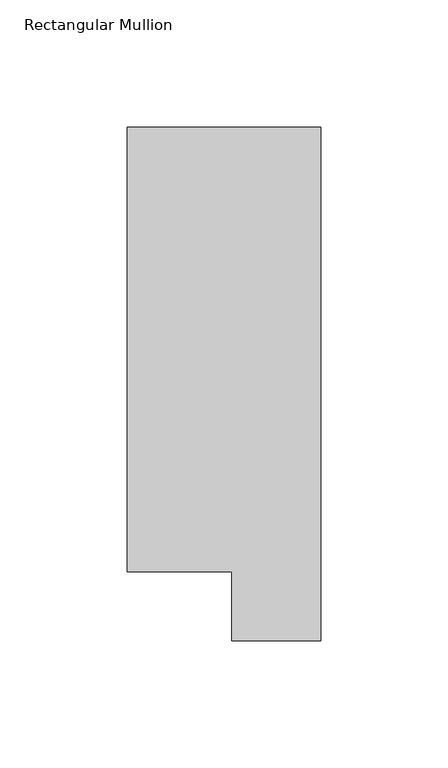
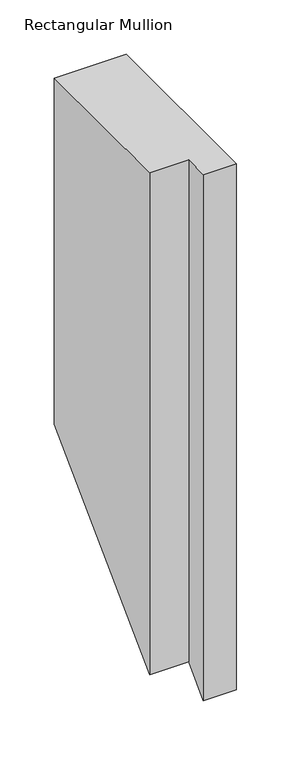
"""IFC4 building model written with IfcOpenShell, lengths in millimetres: member geometry, Rectangular Mullion."""

from ifc_helpers import new_model, si_unit, origin, place, context, project, spatial, faceted_brep, source, transform, mapped, element, save


def rectangular_mullion_0f169c01(model_context):
    return source(origin(), model_context, "Body", "Brep", [
        faceted_brep([(0.0, 221.7507313, 0.0), (-76.2, 221.7507313, 0.0), (-76.2, 46.7447302, 0.0), (-34.9123, 46.7447302, 0.0), (-34.9123, 19.5667313, 0.0), (0.0, 19.5667313, 0.0), (0.0, 221.7507313, -387.8492688), (-76.2, 221.7507313, -387.8492688), (-76.2, 46.7447302, -562.8552698), (-34.9123, 46.7447302, -562.8552698), (-34.9123, 19.5667313, -590.0332687), (0.0, 19.5667313, -590.0332687)], [[[0, 1, 2, 3, 4, 5]], [[1, 0, 6, 7]], [[2, 1, 7, 8]], [[3, 2, 8, 9]], [[4, 3, 9, 10]], [[5, 4, 10, 11]], [[0, 5, 11, 6]], [[6, 11, 10, 9, 8, 7]]]),
    ])


if __name__ == "__main__":
    model = new_model("IFC4")
    model_context = context("Model", 3, world=origin())
    ifc_project = project(units=[si_unit("LENGTHUNIT", "METRE", prefix="MILLI")], contexts=[model_context])
    site = spatial("IfcSite", under=ifc_project)
    building = spatial("IfcBuilding", under=site)
    placement = place(None, origin())
    rectangular_mullion_shape = rectangular_mullion_0f169c01(model_context)
    element("IfcMember", 1, ObjectType="Rectangular Mullion", at=placement, inside=building, context=model_context, shape_type="MappedRepresentation", body=[
        mapped(rectangular_mullion_shape, transform((0.0, 0.0, 0.0), x_axis=(1.0, 0.0, 0.0), y_axis=(0.0, 1.0, 0.0), z_axis=(0.0, 0.0, 1.0))),
    ])
    save(model, "model.ifc")
